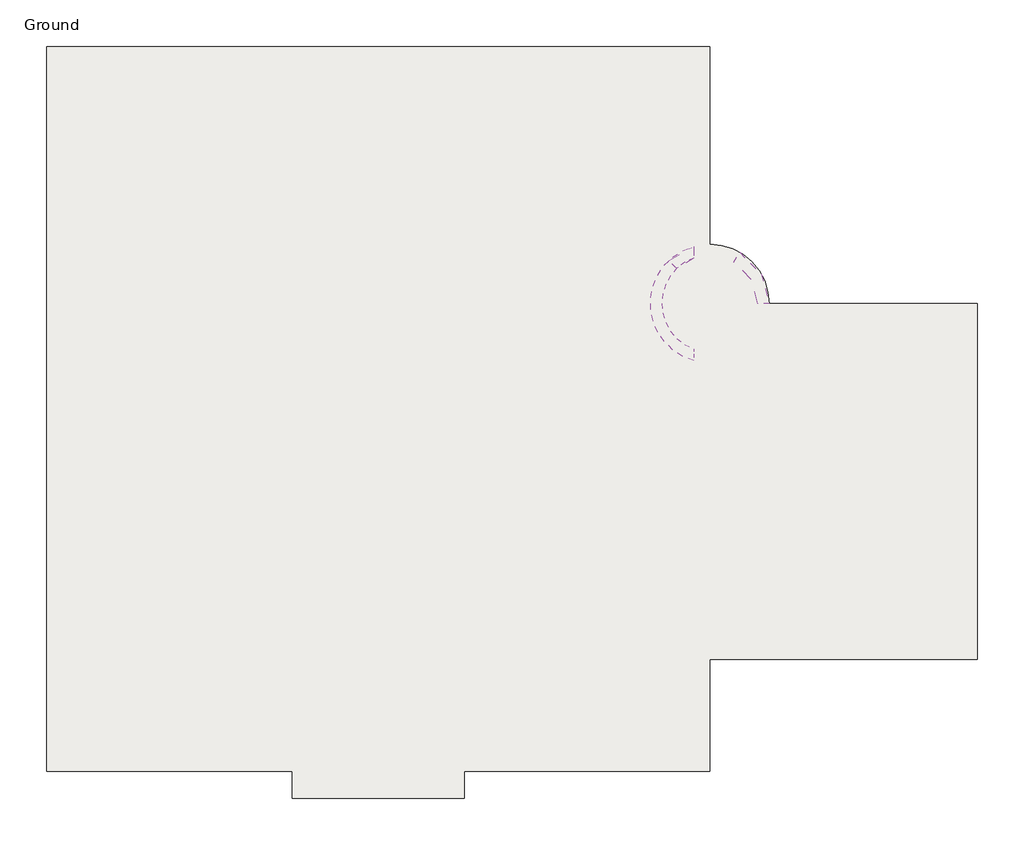
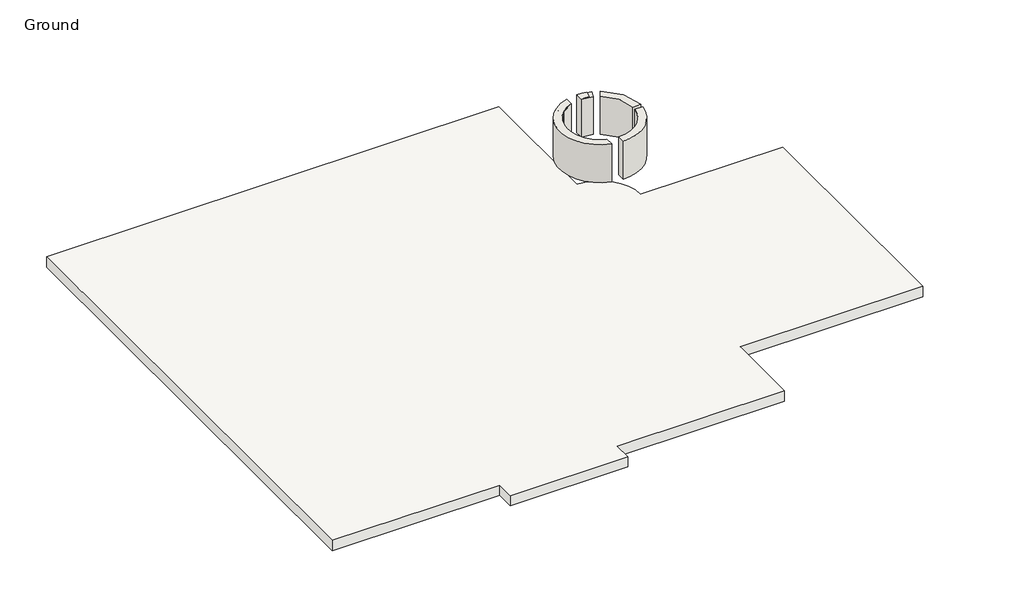
# One storey: 3 walls, 1 slab.
"""IFC4 building model written with IfcOpenShell, lengths in millimetres."""

from ifc_helpers import new_model, si_unit, point, frame, frame_2d, origin, place, context, project, spatial, polyline, circle_curve, trimmed, segment, composite_curve, outline, extrude, element, save

model = new_model("IFC4")

# Units and contexts
model_context = context("Model", 3, world=origin())
ifc_project = project(units=[si_unit("LENGTHUNIT", "METRE", prefix="MILLI")], contexts=[model_context])

# Site, building, storey
site = spatial("IfcSite", under=ifc_project)
building = spatial("IfcBuilding", under=site)
storey = spatial("IfcBuildingStorey", under=building, Name="Ground", Elevation=0.0)

# Slab
placement = place(None, origin())
element("IfcSlab", 1, ObjectType="Foundation Slab 1", at=placement, inside=storey, context=model_context, shape_type="SweptSolid", body=[
    extrude(outline(composite_curve([segment(polyline([(28200.0, 16362.5), (28200.0, 12663.8064653)]), True, "CONTINUOUS"), segment(trimmed(circle_curve(frame_2d((28200.0, 11555.0)), 1108.8064653), [point((28200.0, 12663.8064653))], [point((29308.8064653, 11555.0))], False, "CARTESIAN"), True, "CONTINUOUS"), segment(polyline([(29308.8064653, 11555.0), (33205.0, 11555.0), (33205.0, 10895.0), (33205.0, 5495.0), (33205.0, 4895.0), (28200.0, 4895.0), (28200.0, 2800.0), (23610.0, 2800.0), (23610.0, 2300.0), (20390.0, 2300.0), (20390.0, 2800.0), (15800.0, 2800.0), (15800.0, 16362.5), (28200.0, 16362.5)]), True, "CONTINUOUS")], self_intersect=False)), frame((0.0, 0.0, -300.0), z_axis=(0.0, 0.0, 1.0), x_axis=(1.0, 0.0, 0.0)), (0.0, 0.0, 1.0), 300.0),
])

# Walls
element("IfcWall", 2, ObjectType="Wall 200", at=placement, inside=storey, context=model_context, shape_type="SweptSolid", body=[
    extrude(outline(composite_curve([segment(polyline([(28464.3492541, 12633.062833), (28414.3372331, 12429.1049997)]), True, "CONTINUOUS"), segment(trimmed(circle_curve(frame_2d((28200.0, 11555.0)), 900.0), [point((28414.3372331, 12429.1049997))], [point((28200.0, 12455.0))], True, "CARTESIAN"), True, "CONTINUOUS"), segment(polyline([(28200.0, 12455.0), (28200.0, 12665.0)]), True, "CONTINUOUS"), segment(trimmed(circle_curve(frame_2d((28200.0, 11555.0)), 1110.0), [point((28200.0, 12665.0))], [point((28464.3492541, 12633.062833))], False, "CARTESIAN"), True, "CONTINUOUS")], self_intersect=False)), frame((0.0, 0.0, 1500.0), z_axis=(0.0, 0.0, 1.0), x_axis=(1.0, 0.0, 0.0)), (0.0, 0.0, 1.0), 1100.0),
    extrude(outline(composite_curve([segment(polyline([(29093.2524839, 11445.0), (29304.5361017, 11445.0)]), True, "CONTINUOUS"), segment(trimmed(circle_curve(frame_2d((28200.0, 11555.0)), 1110.0), [point((29304.5361017, 11445.0))], [point((28200.0, 10445.0))], False, "CARTESIAN"), True, "CONTINUOUS"), segment(polyline([(28200.0, 10445.0), (28200.0, 10655.0)]), True, "CONTINUOUS"), segment(trimmed(circle_curve(frame_2d((28200.0, 11555.0)), 900.0), [point((28200.0, 10655.0))], [point((29093.2524839, 11445.0))], True, "CARTESIAN"), True, "CONTINUOUS")], self_intersect=False)), frame((0.0, 0.0, 1500.0), z_axis=(0.0, 0.0, 1.0), x_axis=(1.0, 0.0, 0.0)), (0.0, 0.0, 1.0), 1100.0),
    extrude(outline(composite_curve([segment(trimmed(circle_curve(frame_2d((28200.0, 11555.0)), 1110.0), [point((27900.0, 10486.3092122))], [point((27900.0, 12623.6907878))], False, "CARTESIAN"), True, "CONTINUOUS"), segment(polyline([(27900.0, 12623.6907878), (27900.0, 12403.5281374)]), True, "CONTINUOUS"), segment(trimmed(circle_curve(frame_2d((28200.0, 11555.0)), 900.0), [point((27900.0, 12403.5281374))], [point((27900.0, 10706.4718626))], True, "CARTESIAN"), True, "CONTINUOUS"), segment(polyline([(27900.0, 10706.4718626), (27900.0, 10486.3092122)]), True, "CONTINUOUS")], self_intersect=False)), frame((0.0, 0.0, 1500.0), z_axis=(0.0, 0.0, 1.0), x_axis=(1.0, 0.0, 0.0)), (0.0, 0.0, 1.0), 1100.0),
])
element("IfcWall", 3, ObjectType="Wall 200", at=placement, inside=storey, context=model_context, shape_type="SweptSolid", body=[
    extrude(outline(composite_curve([segment(polyline([(28575.0010529, 12598.5213182), (28504.0435347, 12400.8725625)]), True, "CONTINUOUS"), segment(trimmed(circle_curve(frame_2d((28199.9398851, 11553.8064669)), 900.0), [point((28504.0435347, 12400.8725625))], [point((28200.0, 12453.8064649))], True, "CARTESIAN"), True, "CONTINUOUS"), segment(polyline([(28200.0, 12453.8064649), (28200.0, 12663.8064653)]), True, "CONTINUOUS"), segment(trimmed(circle_curve(frame_2d((28199.9398851, 11553.8064669)), 1110.0), [point((28200.0, 12663.8064653))], [point((28575.0010529, 12598.5213182))], False, "CARTESIAN"), True, "CONTINUOUS")], self_intersect=False)), frame((0.0, 0.0, 1500.0), z_axis=(0.0, 0.0, 1.0), x_axis=(1.0, 0.0, 0.0)), (0.0, 0.0, 1.0), 1100.0),
    extrude(outline(composite_curve([segment(polyline([(27579.4134114, 12205.6859768), (27434.6239009, 12357.7911958)]), True, "CONTINUOUS"), segment(trimmed(circle_curve(frame_2d((28199.9398851, 11553.8064669)), 1110.0), [point((27434.6239009, 12357.7911958))], [point((27900.0, 12622.5141282))], False, "CARTESIAN"), True, "CONTINUOUS"), segment(polyline([(27900.0, 12622.5141282), (27900.0, 12402.3558557)]), True, "CONTINUOUS"), segment(trimmed(circle_curve(frame_2d((28199.9398851, 11553.8064669)), 900.0), [point((27900.0, 12402.3558557))], [point((27579.4134114, 12205.6859768))], True, "CARTESIAN"), True, "CONTINUOUS")], self_intersect=False)), frame((0.0, 0.0, 1500.0), z_axis=(0.0, 0.0, 1.0), x_axis=(1.0, 0.0, 0.0)), (0.0, 0.0, 1.0), 1100.0),
])
element("IfcWall", 4, ObjectType="Wall 200", at=placement, inside=storey, context=model_context, shape_type="SweptSolid", body=[
    extrude(outline(composite_curve([segment(polyline([(28651.3507544, 12332.4130602), (28756.6799572, 12514.087932)]), True, "CONTINUOUS"), segment(trimmed(circle_curve(frame_2d((28199.9398851, 11553.8064669)), 1110.0), [point((28756.6799572, 12514.087932))], [point((29309.9392435, 11555.0))], False, "CARTESIAN"), True, "CONTINUOUS"), segment(polyline([(29309.9392435, 11555.0), (29099.9390937, 11555.0)]), True, "CONTINUOUS"), segment(trimmed(circle_curve(frame_2d((28199.9398851, 11553.8064669)), 900.0), [point((29099.9390937, 11555.0))], [point((28651.3507544, 12332.4130602))], True, "CARTESIAN"), True, "CONTINUOUS")], self_intersect=False)), frame((0.0, 0.0, 1500.0), z_axis=(0.0, 0.0, 1.0), x_axis=(1.0, 0.0, 0.0)), (0.0, 0.0, 1.0), 1100.0),
])

save(model, "model.ifc")
